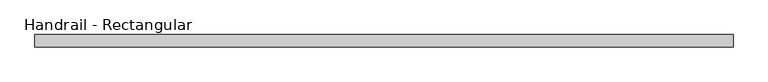
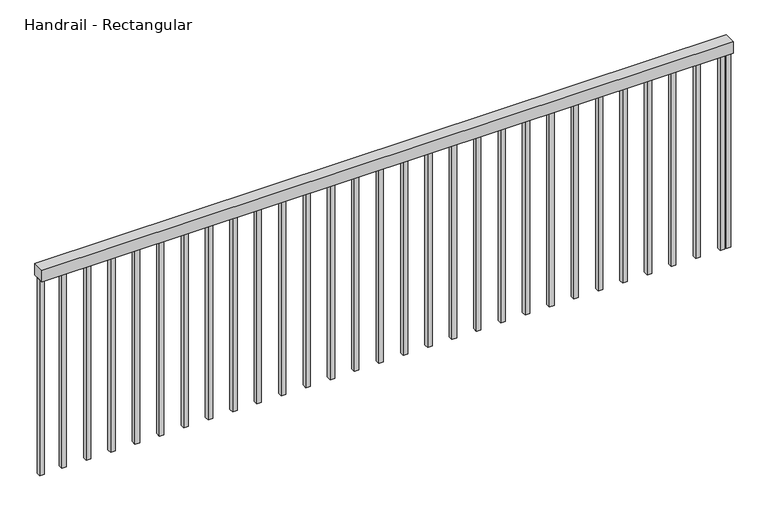
"""IFC4 building model written with IfcOpenShell, lengths in millimetres: railing geometry, Handrail - Rectangular."""

from ifc_helpers import new_model, si_unit, frame, origin, place, context, project, spatial, polyline, outline, extrude, source, transform, mapped, element, save


def handrail_rectangular_1fd1fa42(model_context):
    return source(origin(), model_context, "Body", "SweptSolid", [
        extrude(outline(polyline([(-6801.3924997, -7875.8529843), (-6801.3924997, -7825.0529843), (-3921.3924997, -7825.0529843), (-3921.3924997, -7875.8529843), (-6801.3924997, -7875.8529843)])), frame((0.0, 0.0, 1263.6), z_axis=(0.0, 0.0, 1.0), x_axis=(1.0, 0.0, 0.0)), (0.0, 0.0, 1.0), 50.8),
        extrude(outline(polyline([(-3966.1174997, -7859.9779843), (-3966.1174997, -7840.9279843), (-3947.0674997, -7840.9279843), (-3947.0674997, -7859.9779843), (-3966.1174997, -7859.9779843)])), frame((0.0, 0.0, 400.0), z_axis=(0.0, 0.0, 1.0), x_axis=(1.0, 0.0, 0.0)), (0.0, 0.0, 1.0), 863.6),
        extrude(outline(polyline([(-4067.7174997, -7859.9779843), (-4067.7174997, -7840.9279843), (-4048.6674997, -7840.9279843), (-4048.6674997, -7859.9779843), (-4067.7174997, -7859.9779843)])), frame((0.0, 0.0, 400.0), z_axis=(0.0, 0.0, 1.0), x_axis=(1.0, 0.0, 0.0)), (0.0, 0.0, 1.0), 863.6),
        extrude(outline(polyline([(-4169.3174997, -7859.9779843), (-4169.3174997, -7840.9279843), (-4150.2674997, -7840.9279843), (-4150.2674997, -7859.9779843), (-4169.3174997, -7859.9779843)])), frame((0.0, 0.0, 400.0), z_axis=(0.0, 0.0, 1.0), x_axis=(1.0, 0.0, 0.0)), (0.0, 0.0, 1.0), 863.6),
        extrude(outline(polyline([(-4270.9174997, -7859.9779843), (-4270.9174997, -7840.9279843), (-4251.8674997, -7840.9279843), (-4251.8674997, -7859.9779843), (-4270.9174997, -7859.9779843)])), frame((0.0, 0.0, 400.0), z_axis=(0.0, 0.0, 1.0), x_axis=(1.0, 0.0, 0.0)), (0.0, 0.0, 1.0), 863.6),
        extrude(outline(polyline([(-4372.5174997, -7859.9779843), (-4372.5174997, -7840.9279843), (-4353.4674997, -7840.9279843), (-4353.4674997, -7859.9779843), (-4372.5174997, -7859.9779843)])), frame((0.0, 0.0, 400.0), z_axis=(0.0, 0.0, 1.0), x_axis=(1.0, 0.0, 0.0)), (0.0, 0.0, 1.0), 863.6),
        extrude(outline(polyline([(-4474.1174997, -7859.9779843), (-4474.1174997, -7840.9279843), (-4455.0674997, -7840.9279843), (-4455.0674997, -7859.9779843), (-4474.1174997, -7859.9779843)])), frame((0.0, 0.0, 400.0), z_axis=(0.0, 0.0, 1.0), x_axis=(1.0, 0.0, 0.0)), (0.0, 0.0, 1.0), 863.6),
        extrude(outline(polyline([(-4575.7174997, -7859.9779843), (-4575.7174997, -7840.9279843), (-4556.6674997, -7840.9279843), (-4556.6674997, -7859.9779843), (-4575.7174997, -7859.9779843)])), frame((0.0, 0.0, 400.0), z_axis=(0.0, 0.0, 1.0), x_axis=(1.0, 0.0, 0.0)), (0.0, 0.0, 1.0), 863.6),
        extrude(outline(polyline([(-4677.3174997, -7859.9779843), (-4677.3174997, -7840.9279843), (-4658.2674997, -7840.9279843), (-4658.2674997, -7859.9779843), (-4677.3174997, -7859.9779843)])), frame((0.0, 0.0, 400.0), z_axis=(0.0, 0.0, 1.0), x_axis=(1.0, 0.0, 0.0)), (0.0, 0.0, 1.0), 863.6),
        extrude(outline(polyline([(-4778.9174997, -7859.9779843), (-4778.9174997, -7840.9279843), (-4759.8674997, -7840.9279843), (-4759.8674997, -7859.9779843), (-4778.9174997, -7859.9779843)])), frame((0.0, 0.0, 400.0), z_axis=(0.0, 0.0, 1.0), x_axis=(1.0, 0.0, 0.0)), (0.0, 0.0, 1.0), 863.6),
        extrude(outline(polyline([(-4880.5174997, -7859.9779843), (-4880.5174997, -7840.9279843), (-4861.4674997, -7840.9279843), (-4861.4674997, -7859.9779843), (-4880.5174997, -7859.9779843)])), frame((0.0, 0.0, 400.0), z_axis=(0.0, 0.0, 1.0), x_axis=(1.0, 0.0, 0.0)), (0.0, 0.0, 1.0), 863.6),
        extrude(outline(polyline([(-4982.1174997, -7859.9779843), (-4982.1174997, -7840.9279843), (-4963.0674997, -7840.9279843), (-4963.0674997, -7859.9779843), (-4982.1174997, -7859.9779843)])), frame((0.0, 0.0, 400.0), z_axis=(0.0, 0.0, 1.0), x_axis=(1.0, 0.0, 0.0)), (0.0, 0.0, 1.0), 863.6),
        extrude(outline(polyline([(-5083.7174997, -7859.9779843), (-5083.7174997, -7840.9279843), (-5064.6674997, -7840.9279843), (-5064.6674997, -7859.9779843), (-5083.7174997, -7859.9779843)])), frame((0.0, 0.0, 400.0), z_axis=(0.0, 0.0, 1.0), x_axis=(1.0, 0.0, 0.0)), (0.0, 0.0, 1.0), 863.6),
        extrude(outline(polyline([(-5185.3174997, -7859.9779843), (-5185.3174997, -7840.9279843), (-5166.2674997, -7840.9279843), (-5166.2674997, -7859.9779843), (-5185.3174997, -7859.9779843)])), frame((0.0, 0.0, 400.0), z_axis=(0.0, 0.0, 1.0), x_axis=(1.0, 0.0, 0.0)), (0.0, 0.0, 1.0), 863.6),
        extrude(outline(polyline([(-5286.9174997, -7859.9779843), (-5286.9174997, -7840.9279843), (-5267.8674997, -7840.9279843), (-5267.8674997, -7859.9779843), (-5286.9174997, -7859.9779843)])), frame((0.0, 0.0, 400.0), z_axis=(0.0, 0.0, 1.0), x_axis=(1.0, 0.0, 0.0)), (0.0, 0.0, 1.0), 863.6),
        extrude(outline(polyline([(-5388.5174997, -7859.9779843), (-5388.5174997, -7840.9279843), (-5369.4674997, -7840.9279843), (-5369.4674997, -7859.9779843), (-5388.5174997, -7859.9779843)])), frame((0.0, 0.0, 400.0), z_axis=(0.0, 0.0, 1.0), x_axis=(1.0, 0.0, 0.0)), (0.0, 0.0, 1.0), 863.6),
        extrude(outline(polyline([(-5490.1174997, -7859.9779843), (-5490.1174997, -7840.9279843), (-5471.0674997, -7840.9279843), (-5471.0674997, -7859.9779843), (-5490.1174997, -7859.9779843)])), frame((0.0, 0.0, 400.0), z_axis=(0.0, 0.0, 1.0), x_axis=(1.0, 0.0, 0.0)), (0.0, 0.0, 1.0), 863.6),
        extrude(outline(polyline([(-5591.7174997, -7859.9779843), (-5591.7174997, -7840.9279843), (-5572.6674997, -7840.9279843), (-5572.6674997, -7859.9779843), (-5591.7174997, -7859.9779843)])), frame((0.0, 0.0, 400.0), z_axis=(0.0, 0.0, 1.0), x_axis=(1.0, 0.0, 0.0)), (0.0, 0.0, 1.0), 863.6),
        extrude(outline(polyline([(-5693.3174997, -7859.9779843), (-5693.3174997, -7840.9279843), (-5674.2674997, -7840.9279843), (-5674.2674997, -7859.9779843), (-5693.3174997, -7859.9779843)])), frame((0.0, 0.0, 400.0), z_axis=(0.0, 0.0, 1.0), x_axis=(1.0, 0.0, 0.0)), (0.0, 0.0, 1.0), 863.6),
        extrude(outline(polyline([(-5794.9174997, -7859.9779843), (-5794.9174997, -7840.9279843), (-5775.8674997, -7840.9279843), (-5775.8674997, -7859.9779843), (-5794.9174997, -7859.9779843)])), frame((0.0, 0.0, 400.0), z_axis=(0.0, 0.0, 1.0), x_axis=(1.0, 0.0, 0.0)), (0.0, 0.0, 1.0), 863.6),
        extrude(outline(polyline([(-5896.5174997, -7859.9779843), (-5896.5174997, -7840.9279843), (-5877.4674997, -7840.9279843), (-5877.4674997, -7859.9779843), (-5896.5174997, -7859.9779843)])), frame((0.0, 0.0, 400.0), z_axis=(0.0, 0.0, 1.0), x_axis=(1.0, 0.0, 0.0)), (0.0, 0.0, 1.0), 863.6),
        extrude(outline(polyline([(-5998.1174997, -7859.9779843), (-5998.1174997, -7840.9279843), (-5979.0674997, -7840.9279843), (-5979.0674997, -7859.9779843), (-5998.1174997, -7859.9779843)])), frame((0.0, 0.0, 400.0), z_axis=(0.0, 0.0, 1.0), x_axis=(1.0, 0.0, 0.0)), (0.0, 0.0, 1.0), 863.6),
        extrude(outline(polyline([(-6099.7174997, -7859.9779843), (-6099.7174997, -7840.9279843), (-6080.6674997, -7840.9279843), (-6080.6674997, -7859.9779843), (-6099.7174997, -7859.9779843)])), frame((0.0, 0.0, 400.0), z_axis=(0.0, 0.0, 1.0), x_axis=(1.0, 0.0, 0.0)), (0.0, 0.0, 1.0), 863.6),
        extrude(outline(polyline([(-6201.3174997, -7859.9779843), (-6201.3174997, -7840.9279843), (-6182.2674997, -7840.9279843), (-6182.2674997, -7859.9779843), (-6201.3174997, -7859.9779843)])), frame((0.0, 0.0, 400.0), z_axis=(0.0, 0.0, 1.0), x_axis=(1.0, 0.0, 0.0)), (0.0, 0.0, 1.0), 863.6),
        extrude(outline(polyline([(-6302.9174997, -7859.9779843), (-6302.9174997, -7840.9279843), (-6283.8674997, -7840.9279843), (-6283.8674997, -7859.9779843), (-6302.9174997, -7859.9779843)])), frame((0.0, 0.0, 400.0), z_axis=(0.0, 0.0, 1.0), x_axis=(1.0, 0.0, 0.0)), (0.0, 0.0, 1.0), 863.6),
        extrude(outline(polyline([(-6404.5174997, -7859.9779843), (-6404.5174997, -7840.9279843), (-6385.4674997, -7840.9279843), (-6385.4674997, -7859.9779843), (-6404.5174997, -7859.9779843)])), frame((0.0, 0.0, 400.0), z_axis=(0.0, 0.0, 1.0), x_axis=(1.0, 0.0, 0.0)), (0.0, 0.0, 1.0), 863.6),
        extrude(outline(polyline([(-6506.1174997, -7859.9779843), (-6506.1174997, -7840.9279843), (-6487.0674997, -7840.9279843), (-6487.0674997, -7859.9779843), (-6506.1174997, -7859.9779843)])), frame((0.0, 0.0, 400.0), z_axis=(0.0, 0.0, 1.0), x_axis=(1.0, 0.0, 0.0)), (0.0, 0.0, 1.0), 863.6),
        extrude(outline(polyline([(-6607.7174997, -7859.9779843), (-6607.7174997, -7840.9279843), (-6588.6674997, -7840.9279843), (-6588.6674997, -7859.9779843), (-6607.7174997, -7859.9779843)])), frame((0.0, 0.0, 400.0), z_axis=(0.0, 0.0, 1.0), x_axis=(1.0, 0.0, 0.0)), (0.0, 0.0, 1.0), 863.6),
        extrude(outline(polyline([(-6709.3174997, -7859.9779843), (-6709.3174997, -7840.9279843), (-6690.2674997, -7840.9279843), (-6690.2674997, -7859.9779843), (-6709.3174997, -7859.9779843)])), frame((0.0, 0.0, 400.0), z_axis=(0.0, 0.0, 1.0), x_axis=(1.0, 0.0, 0.0)), (0.0, 0.0, 1.0), 863.6),
        extrude(outline(polyline([(-3940.4424997, -7859.9779843), (-3940.4424997, -7840.9279843), (-3921.3924997, -7840.9279843), (-3921.3924997, -7859.9779843), (-3940.4424997, -7859.9779843)])), frame((0.0, 0.0, 400.0), z_axis=(0.0, 0.0, 1.0), x_axis=(1.0, 0.0, 0.0)), (0.0, 0.0, 1.0), 863.6),
        extrude(outline(polyline([(-6801.3924997, -7859.9779843), (-6801.3924997, -7840.9279843), (-6782.3424997, -7840.9279843), (-6782.3424997, -7859.9779843), (-6801.3924997, -7859.9779843)])), frame((0.0, 0.0, 400.0), z_axis=(0.0, 0.0, 1.0), x_axis=(1.0, 0.0, 0.0)), (0.0, 0.0, 1.0), 863.6),
    ])


if __name__ == "__main__":
    model = new_model("IFC4")
    model_context = context("Model", 3, world=origin())
    ifc_project = project(units=[si_unit("LENGTHUNIT", "METRE", prefix="MILLI")], contexts=[model_context])
    site = spatial("IfcSite", under=ifc_project)
    building = spatial("IfcBuilding", under=site)
    placement = place(None, origin())
    handrail_rectangular_shape = handrail_rectangular_1fd1fa42(model_context)
    element("IfcRailing", 1, ObjectType="Handrail - Rectangular", at=placement, inside=building, context=model_context, shape_type="MappedRepresentation", body=[
        mapped(handrail_rectangular_shape, transform((0.0, 0.0, 0.0), x_axis=(1.0, 0.0, 0.0), y_axis=(0.0, 1.0, 0.0), z_axis=(0.0, 0.0, 1.0))),
    ])
    save(model, "model.ifc")
